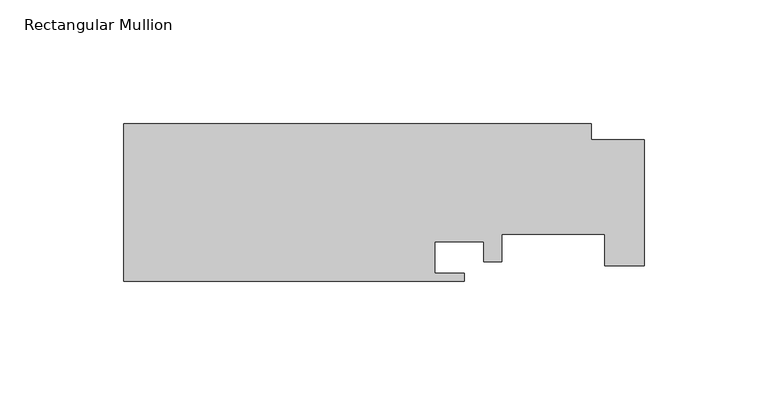
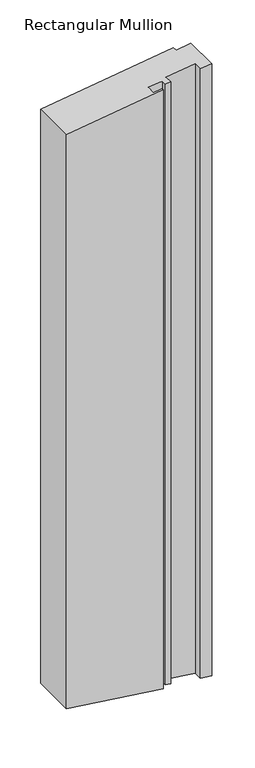
"""IFC4 building model written with IfcOpenShell, lengths in millimetres: member geometry, Rectangular Mullion."""

from ifc_helpers import new_model, si_unit, origin, place, context, project, spatial, faceted_brep, source, transform, mapped, element, save


def rectangular_mullion_09ec8542(model_context):
    return source(origin(), model_context, "Body", "Brep", [
        faceted_brep([(-54.3052, -19.05, -7.6320981), (-191.643, -19.05, -26.9336672), (-191.643, -19.05, -888.8674581), (-54.3052, -19.05, -907.1649338), (-54.3052, -15.875, -7.6320981), (-54.3052, -15.875, -907.1649338), (-66.2178, -15.875, -9.3063049), (-66.2178, -15.875, -905.5778215), (-66.2178, -3.175, -9.3063049), (-66.2178, -3.175, -905.5778215), (-46.4058, -3.175, -6.5219099), (-46.4058, -3.175, -908.2173686), (-46.4058, -11.1252, -6.5219099), (-46.4058, -11.1252, -908.2173686), (-39.243, -11.1252, -5.515244), (-39.243, -11.1252, -909.1716664), (-39.243, 0.0, -5.515244), (-39.243, 0.0, -909.1716664), (2.413, 0.0, 0.339125), (2.413, 0.0, -914.7214833), (2.413, -12.7, 0.339125), (2.413, -12.7, -914.7214833), (18.288, -12.7, 2.5702108), (18.288, -12.7, -916.836505), (18.288, 38.1, 2.5702108), (18.288, 38.1, -916.836505), (-2.9972, 38.1, -0.421229), (-2.9972, 38.1, -914.0006839), (-2.9972, 44.45, -0.421229), (-2.9972, 44.45, -914.0006839), (-191.643, 44.45, -26.9336672), (-191.643, 44.45, -888.8674581)], [[[0, 1, 2, 3]], [[4, 0, 3, 5]], [[6, 4, 5, 7]], [[8, 6, 7, 9]], [[10, 8, 9, 11]], [[12, 10, 11, 13]], [[14, 12, 13, 15]], [[16, 14, 15, 17]], [[18, 16, 17, 19]], [[20, 18, 19, 21]], [[22, 20, 21, 23]], [[24, 22, 23, 25]], [[26, 24, 25, 27]], [[28, 26, 27, 29]], [[30, 28, 29, 31]], [[1, 30, 31, 2]], [[1, 0, 4, 6, 8, 10, 12, 14, 16, 18, 20, 22, 24, 26, 28, 30]], [[2, 31, 29, 27, 25, 23, 21, 19, 17, 15, 13, 11, 9, 7, 5, 3]]]),
    ])


if __name__ == "__main__":
    model = new_model("IFC4")
    model_context = context("Model", 3, world=origin())
    ifc_project = project(units=[si_unit("LENGTHUNIT", "METRE", prefix="MILLI")], contexts=[model_context])
    site = spatial("IfcSite", under=ifc_project)
    building = spatial("IfcBuilding", under=site)
    placement = place(None, origin())
    rectangular_mullion_shape = rectangular_mullion_09ec8542(model_context)
    element("IfcMember", 1, ObjectType="Rectangular Mullion", at=placement, inside=building, context=model_context, shape_type="MappedRepresentation", body=[
        mapped(rectangular_mullion_shape, transform((0.0, 0.0, 0.0), x_axis=(1.0, 0.0, 0.0), y_axis=(0.0, 1.0, 0.0), z_axis=(0.0, 0.0, 1.0))),
    ])
    save(model, "model.ifc")
